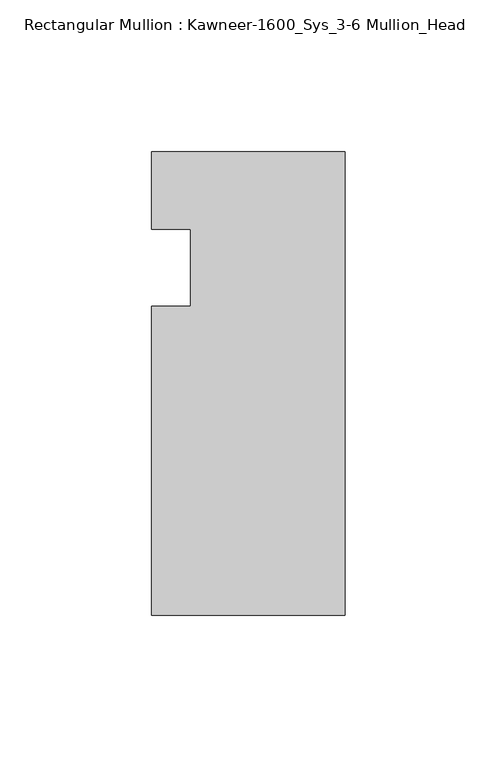
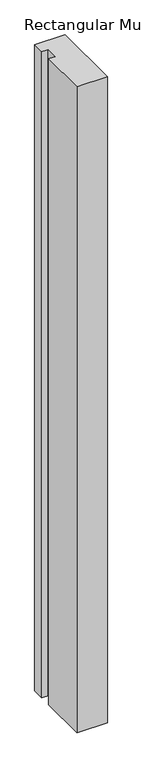
"""IFC4 building model written with IfcOpenShell, lengths in millimetres: member geometry, Rectangular Mullion : Kawneer-1600_Sys_3-6 Mullion_Head."""

from ifc_helpers import new_model, si_unit, frame, origin, place, context, project, spatial, polyline, outline, extrude, source, transform, mapped, element, save


def rectangular_mullion_kawneer_1600_sys_3_6_mullion_head_7720c90a(model_context):
    return source(origin(), model_context, "Body", "SweptSolid", [
        extrude(outline(polyline([(-63.5, -114.3), (-63.5, -12.7), (-50.7982296, -12.7), (-50.7982296, 12.7), (-63.5, 12.7), (-63.5, 38.1), (0.0, 38.1), (0.0, -114.3), (-63.5, -114.3)])), frame((0.0, 0.0, -1424.4155973), z_axis=(0.0, 0.0, 1.0), x_axis=(1.0, 0.0, 0.0)), (0.0, 0.0, 1.0), 1424.4155973),
    ])


if __name__ == "__main__":
    model = new_model("IFC4")
    model_context = context("Model", 3, world=origin())
    ifc_project = project(units=[si_unit("LENGTHUNIT", "METRE", prefix="MILLI")], contexts=[model_context])
    site = spatial("IfcSite", under=ifc_project)
    building = spatial("IfcBuilding", under=site)
    placement = place(None, origin())
    rectangular_mullion_kawneer_1600_sys_3_6_mullion_head_shape = rectangular_mullion_kawneer_1600_sys_3_6_mullion_head_7720c90a(model_context)
    element("IfcMember", 1, ObjectType="Rectangular Mullion : Kawneer-1600_Sys_3-6 Mullion_Head", at=placement, inside=building, context=model_context, shape_type="MappedRepresentation", body=[
        mapped(rectangular_mullion_kawneer_1600_sys_3_6_mullion_head_shape, transform((0.0, 0.0, 0.0), x_axis=(1.0, 0.0, 0.0), y_axis=(0.0, 1.0, 0.0), z_axis=(0.0, 0.0, 1.0))),
    ])
    save(model, "model.ifc")
